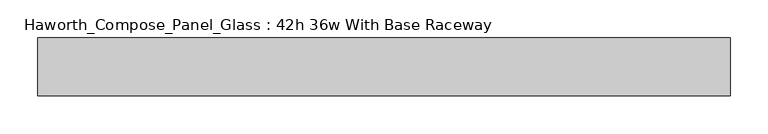
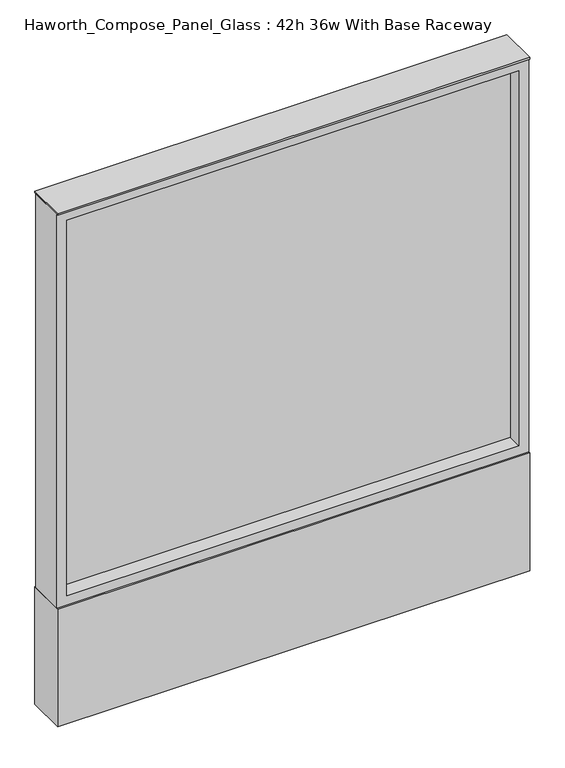
"""IFC4 building model written with IfcOpenShell, lengths in millimetres: furniture geometry, Haworth_Compose_Panel_Glass : 42h 36w With Base Raceway."""

import ifcopenshell
import ifcopenshell.guid

model = None  # the IFC model being written
_history = None  # IfcOwnerHistory: only IFC2X3 demands one
_inside = {}  # id of a spatial element -> (the spatial element, [elements in it])
_under = {}  # id of a project, library or spatial element -> (it, [spatial elements below it])
_declared = {}  # id of a project -> (the project, [libraries it declares])
_typed = {}  # id of a type object -> (the type object, [elements of that type])
_made_of = {}  # id of a material, layer set ... -> (it, [elements and type objects made of it])


def new_model(schema):
    """Start an empty IFC model of exactly this schema.

    Asked for "IFC4X3", IfcOpenShell would pick the latest addendum, in which some entities
    have other attributes; the version numbers below select the first issue.
    IFC2X3 requires an IfcOwnerHistory on every rooted entity: one is made here for all.
    """
    global model, _history
    if schema == "IFC4X3":
        model = ifcopenshell.file(schema_version=(4, 3, 0, 0))
    else:
        model = ifcopenshell.file(schema=schema)
    _inside.clear()
    _under.clear()
    _declared.clear()
    _typed.clear()
    _made_of.clear()
    _history = None
    if model.schema == "IFC2X3":
        org = make("IfcOrganization", Name="unknown")
        user = make(
            "IfcPersonAndOrganization",
            ThePerson=make("IfcPerson", FamilyName="unknown"),
            TheOrganization=org,
        )
        app = make(
            "IfcApplication",
            ApplicationDeveloper=org,
            Version="unknown",
            ApplicationFullName="unknown",
            ApplicationIdentifier="unknown",
        )
        _history = make(
            "IfcOwnerHistory",
            OwningUser=user,
            OwningApplication=app,
            ChangeAction="ADDED",
            CreationDate=0,
        )
    return model


def make(cls, **values):
    """One entity of the class cls with the attributes given. An attribute that is None is left unset."""
    return model.create_entity(
        cls, **{name: value for name, value in values.items() if value is not None}
    )


def rooted(cls, **values):
    """An entity with a GlobalId (a new one), such as an element, a storey or a relation."""
    return make(cls, GlobalId=ifcopenshell.guid.new(), OwnerHistory=_history, **values)


def si_unit(unit_type, name, prefix=None):
    """IfcSIUnit, for example si_unit("LENGTHUNIT", "METRE", prefix="MILLI")."""
    return make("IfcSIUnit", UnitType=unit_type, Prefix=prefix, Name=name)


def assignment(units):
    """IfcUnitAssignment: the units of a project."""
    return None if units is None else make("IfcUnitAssignment", Units=units)


def point(xyz):
    """IfcCartesianPoint."""
    return None if xyz is None else make("IfcCartesianPoint", Coordinates=xyz)


def direction(xyz):
    """IfcDirection."""
    return None if xyz is None else make("IfcDirection", DirectionRatios=xyz)


def frame(location, z_axis=None, x_axis=None):
    """IfcAxis2Placement3D, a coordinate frame: its origin and axes. An axis left out is left unset."""
    return make(
        "IfcAxis2Placement3D",
        Location=point(location),
        Axis=direction(z_axis),
        RefDirection=direction(x_axis),
    )


def frame_2d(location, x_axis=None):
    """IfcAxis2Placement2D, a coordinate frame in the plane: its origin and x axis."""
    return make(
        "IfcAxis2Placement2D", Location=point(location), RefDirection=direction(x_axis)
    )


def origin():
    """The frame at (0, 0, 0) with its axes left unset."""
    return frame((0.0, 0.0, 0.0))


def origin_with_axes():
    """The frame at (0, 0, 0) with the z axis (0, 0, 1) and the x axis (1, 0, 0) written out."""
    return frame((0.0, 0.0, 0.0), z_axis=(0.0, 0.0, 1.0), x_axis=(1.0, 0.0, 0.0))


def place(relative_to, where):
    """IfcLocalPlacement: puts the frame where relative to a parent placement (None: the world)."""
    return make(
        "IfcLocalPlacement", PlacementRelTo=relative_to, RelativePlacement=where
    )


def context(
    kind, dimensions, precision=None, world=None, true_north=None, identifier=None
):
    """IfcGeometricRepresentationContext, for example the 3D "Model" context."""
    return make(
        "IfcGeometricRepresentationContext",
        ContextIdentifier=identifier,
        ContextType=kind,
        CoordinateSpaceDimension=dimensions,
        Precision=precision,
        WorldCoordinateSystem=world,
        TrueNorth=true_north,
    )


def project(units=None, contexts=None):
    """IfcProject with its units and contexts."""
    return rooted(
        "IfcProject",
        Name="project",
        RepresentationContexts=contexts,
        UnitsInContext=assignment(units),
    )


def spatial(cls, under=None, at=None, **own):
    """A site, building, storey or space (cls), placed at a placement, below another one or the project."""
    s = rooted(cls, ObjectPlacement=at, **own)
    if under is not None:
        _under.setdefault(under.id(), (under, []))[1].append(s)
    return s


def polyline(points):
    """IfcPolyline through the points."""
    return make("IfcPolyline", Points=[point(p) for p in points])


def circle_curve(where, radius):
    """IfcCircle in the frame where."""
    return make("IfcCircle", Position=where, Radius=radius)


def trimmed(basis, trim1, trim2, sense, master):
    """IfcTrimmedCurve: the piece of a basis curve between two trims."""
    return make(
        "IfcTrimmedCurve",
        BasisCurve=basis,
        Trim1=trim1,
        Trim2=trim2,
        SenseAgreement=sense,
        MasterRepresentation=master,
    )


def segment(curve, same_sense, transition):
    """IfcCompositeCurveSegment."""
    return make(
        "IfcCompositeCurveSegment",
        Transition=transition,
        SameSense=same_sense,
        ParentCurve=curve,
    )


def composite_curve(segments, self_intersect=None):
    """IfcCompositeCurve: segments joined end to end."""
    return make("IfcCompositeCurve", Segments=segments, SelfIntersect=self_intersect)


def outline(outer, holes=None, kind="AREA"):
    """IfcArbitraryClosedProfileDef: a profile drawn as a closed curve; with holes, ...WithVoids."""
    if holes is None:
        return make("IfcArbitraryClosedProfileDef", ProfileType=kind, OuterCurve=outer)
    return make(
        "IfcArbitraryProfileDefWithVoids",
        ProfileType=kind,
        OuterCurve=outer,
        InnerCurves=holes,
    )


def extrude(swept, where, along, depth):
    """IfcExtrudedAreaSolid: the profile swept, set in the frame where, extruded along a direction by depth."""
    return make(
        "IfcExtrudedAreaSolid",
        SweptArea=swept,
        Position=where,
        ExtrudedDirection=direction(along),
        Depth=depth,
    )


def shape(context_of_items, identifier, shape_type, items):
    """IfcShapeRepresentation: the items that make up one representation, for example the "Body"."""
    return make(
        "IfcShapeRepresentation",
        ContextOfItems=context_of_items,
        RepresentationIdentifier=identifier,
        RepresentationType=shape_type,
        Items=items,
    )


def source(mapping_origin, context_of_items, identifier, shape_type, items):
    """IfcRepresentationMap: a shape defined once, which mapped items show again and again."""
    return make(
        "IfcRepresentationMap",
        MappingOrigin=mapping_origin,
        MappedRepresentation=shape(context_of_items, identifier, shape_type, items),
    )


def transform(
    local_origin,
    x_axis=None,
    y_axis=None,
    z_axis=None,
    scale=None,
    scale2=None,
    scale3=None,
    uniform=True,
):
    """IfcCartesianTransformationOperator3D, or its non-uniform kind. x_axis, y_axis, z_axis: its Axis1, 2, 3."""
    if uniform:
        return make(
            "IfcCartesianTransformationOperator3D",
            Axis1=direction(x_axis),
            Axis2=direction(y_axis),
            LocalOrigin=point(local_origin),
            Scale=scale,
            Axis3=direction(z_axis),
        )
    return make(
        "IfcCartesianTransformationOperator3DnonUniform",
        Axis1=direction(x_axis),
        Axis2=direction(y_axis),
        LocalOrigin=point(local_origin),
        Scale=scale,
        Axis3=direction(z_axis),
        Scale2=scale2,
        Scale3=scale3,
    )


def mapped(mapping_source, mapping_target):
    """IfcMappedItem: shows the shape of a source again, moved by a transform."""
    return make(
        "IfcMappedItem", MappingSource=mapping_source, MappingTarget=mapping_target
    )


def made_of(thing, what):
    """Note that an element or type object is made of a material, layer set ...; save() writes the relation."""
    if what is not None:
        _made_of.setdefault(what.id(), (what, []))[1].append(thing)
    return thing


def element(
    cls,
    number,
    at=None,
    inside=None,
    cuts=None,
    type_object=None,
    material=None,
    context=None,
    identifier="Body",
    shape_type=None,
    held_by="IfcProductDefinitionShape",
    body=None,
    shapes=None,
    **own,
):
    """One element of the class cls, such as IfcWall. Its Tag is "e" and its number.

    at: its placement. inside: the storey or other place that contains it. cuts: it is an
    opening in that element (IfcRelVoidsElement). A single representation is given by context,
    identifier, shape_type and body (its items); several are given by shapes. held_by: the class
    of the entity that holds the representations. save() writes the other relations.
    """
    e = rooted(cls, Tag="e%d" % number, ObjectPlacement=at, **own)
    if body is not None:
        shapes = [shape(context, identifier, shape_type, body)]
    if shapes is not None:
        e.Representation = make(held_by, Representations=shapes)
    if inside is not None:
        _inside.setdefault(inside.id(), (inside, []))[1].append(e)
    if cuts is not None:
        rooted(
            "IfcRelVoidsElement", RelatingBuildingElement=cuts, RelatedOpeningElement=e
        )
    if type_object is not None:
        _typed.setdefault(type_object.id(), (type_object, []))[1].append(e)
    return made_of(e, material)


def aggregate(whole, parts):
    """IfcRelAggregates: a whole, such as a stair, and the parts it consists of."""
    return rooted("IfcRelAggregates", RelatingObject=whole, RelatedObjects=parts)


def save(model, path):
    """Write the relations noted so far, then the file.

    IfcRelAggregates (storeys below a building ...), IfcRelContainedInSpatialStructure (elements
    in a storey), IfcRelDefinesByType, IfcRelAssociatesMaterial and IfcRelDeclares: one each for
    every whole, place, type object, material and project.
    """
    for whole, parts in _under.values():
        aggregate(whole, parts)
    for where, things in _inside.values():
        rooted(
            "IfcRelContainedInSpatialStructure",
            RelatedElements=things,
            RelatingStructure=where,
        )
    for kind, things in _typed.values():
        rooted("IfcRelDefinesByType", RelatedObjects=things, RelatingType=kind)
    for what, things in _made_of.values():
        rooted("IfcRelAssociatesMaterial", RelatedObjects=things, RelatingMaterial=what)
    for by, libraries in _declared.values():
        rooted("IfcRelDeclares", RelatingContext=by, RelatedDefinitions=libraries)
    model.write(path)


def haworth_compose_panel_glass_42h_36w_with_base_raceway_2c30dfd3(model_context):
    return source(origin(), model_context, "Body", "SweptSolid", [
        extrude(outline(composite_curve([segment(trimmed(circle_curve(frame_2d((383.4402902, 0.0)), 12.7), [point((370.7402902, 0.0))], [point((396.1402902, 0.0))], False, "CARTESIAN"), True, "CONTINUOUS"), segment(trimmed(circle_curve(frame_2d((383.4402902, 0.0)), 12.7), [point((396.1402902, 0.0))], [point((370.7402902, 0.0))], False, "CARTESIAN"), True, "CONTINUOUS")], self_intersect=False)), origin_with_axes(), (0.0, 0.0, 1.0), 12.7),
        extrude(outline(composite_curve([segment(trimmed(circle_curve(frame_2d((-378.5597098, 0.0)), 12.7), [point((-391.2597098, 0.0))], [point((-365.8597098, 0.0))], False, "CARTESIAN"), True, "CONTINUOUS"), segment(trimmed(circle_curve(frame_2d((-378.5597098, 0.0)), 12.7), [point((-365.8597098, 0.0))], [point((-391.2597098, 0.0))], False, "CARTESIAN"), True, "CONTINUOUS")], self_intersect=False)), origin_with_axes(), (0.0, 0.0, 1.0), 12.7),
        extrude(outline(polyline([(440.5902902, -6.35), (-435.7097098, -6.35), (-435.7097098, 6.35), (440.5902902, 6.35), (440.5902902, -6.35)])), frame((0.0, 0.0, 273.05), z_axis=(0.0, 0.0, 1.0), x_axis=(1.0, 0.0, 0.0)), (0.0, 0.0, 1.0), 768.35),
        extrude(outline(polyline([(1060.45, -454.7597098), (254.0, -454.7597098), (254.0, 459.6402902), (1060.45, 459.6402902), (1060.45, -454.7597098)]), holes=[polyline([(1041.4, 440.5902902), (273.05, 440.5902902), (273.05, -435.7097098), (1041.4, -435.7097098), (1041.4, 440.5902902)])]), frame((0.0, -34.925, 0.0), z_axis=(0.0, 1.0, 0.0), x_axis=(0.0, 0.0, 1.0)), (0.0, 0.0, 1.0), 69.85),
        extrude(outline(polyline([(-454.7597098, 38.1), (459.6402902, 38.1), (459.6402902, -38.1), (-454.7597098, -38.1), (-454.7597098, 38.1)])), frame((0.0, 0.0, 12.7), z_axis=(0.0, 0.0, 1.0), x_axis=(1.0, 0.0, 0.0)), (0.0, 0.0, 1.0), 241.3),
        extrude(outline(polyline([(-454.7597098, -38.1), (-454.7597098, 38.1), (459.6402902, 38.1), (459.6402902, -38.1), (-454.7597098, -38.1)])), frame((0.0, 0.0, 1060.45), z_axis=(0.0, 0.0, 1.0), x_axis=(1.0, 0.0, 0.0)), (0.0, 0.0, 1.0), 3.175),
    ])


if __name__ == "__main__":
    model = new_model("IFC4")
    model_context = context("Model", 3, world=origin())
    ifc_project = project(units=[si_unit("LENGTHUNIT", "METRE", prefix="MILLI")], contexts=[model_context])
    site = spatial("IfcSite", under=ifc_project)
    building = spatial("IfcBuilding", under=site)
    placement = place(None, origin())
    haworth_compose_panel_glass_42h_36w_with_base_raceway_shape = haworth_compose_panel_glass_42h_36w_with_base_raceway_2c30dfd3(model_context)
    element("IfcFurniture", 1, ObjectType="Haworth_Compose_Panel_Glass : 42h 36w With Base Raceway", at=placement, inside=building, context=model_context, shape_type="MappedRepresentation", body=[
        mapped(haworth_compose_panel_glass_42h_36w_with_base_raceway_shape, transform((0.0, 0.0, 0.0), x_axis=(1.0, 0.0, 0.0), y_axis=(0.0, 1.0, 0.0), z_axis=(0.0, 0.0, 1.0))),
    ])
    save(model, "model.ifc")
